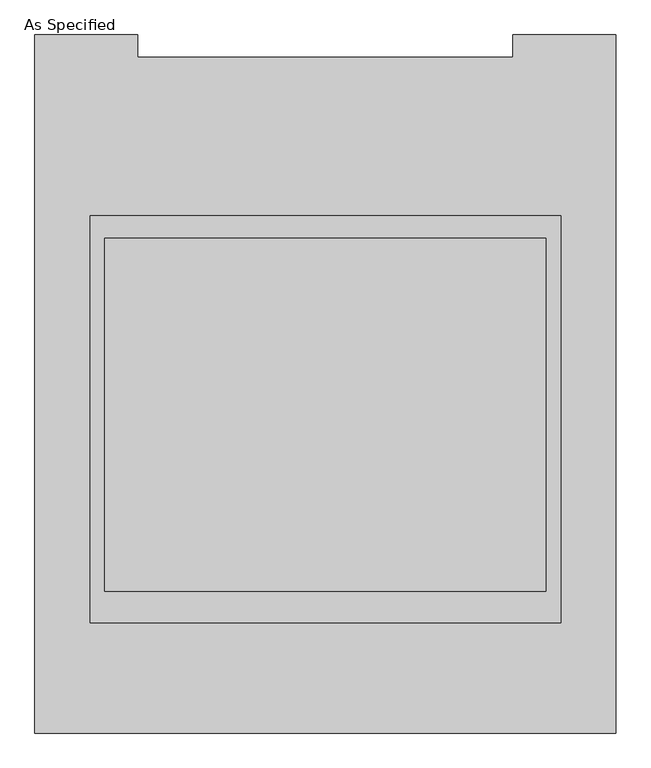
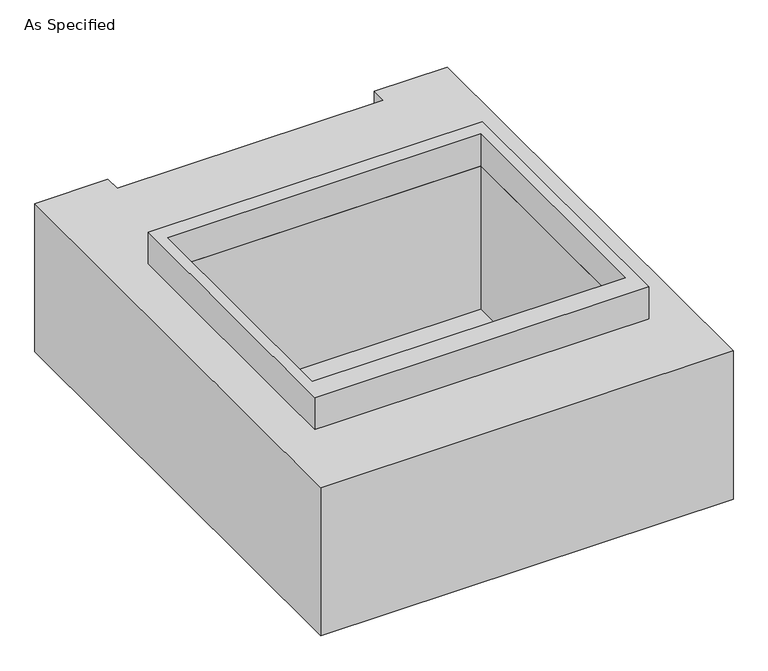
"""IFC4 building model written with IfcOpenShell, lengths in millimetres: proxy geometry, As Specified."""

from ifc_helpers import new_model, si_unit, frame, origin, place, context, project, spatial, polyline, outline, extrude, faceted_brep, source, transform, mapped, element, save


def as_specified_c5561af6(model_context):
    return source(origin(), model_context, "Body", "SolidModel", [
        faceted_brep([(-1003.3, 1242.774375, -25.4), (-1003.3, 1242.774375, -787.4), (-1003.3, -1166.415625, -787.4), (-1003.3, -1166.415625, -25.4), (-647.7, 1242.774375, -787.4), (-647.7, 1242.774375, -25.4), (-647.7, 1166.415625, -787.4), (-647.7, 1166.415625, -25.4), (647.7, 1166.415625, -787.4), (647.7, 1242.774375, -787.4), (1003.3, 1242.774375, -787.4), (1003.3, -1166.415625, -787.4), (1003.3, -1166.415625, -25.4), (1003.3, 1242.774375, -25.4), (647.7, 1242.774375, -25.4), (647.7, 1166.415625, -25.4), (762.0, 541.7740625, -25.4), (762.0, -677.4259375, -25.4), (-762.0, -677.4259375, -25.4), (-762.0, 541.7740625, -25.4), (762.0, 541.7740625, -762.0), (-762.0, 541.7740625, -762.0), (-762.0, -677.4259375, -762.0), (762.0, -677.4259375, -762.0)], [[[0, 1, 2, 3]], [[4, 1, 0, 5]], [[6, 4, 5, 7]], [[1, 4, 6, 8, 9, 10, 11, 2]], [[7, 5, 0, 3, 12, 13, 14, 15], [16, 17, 18, 19]], [[6, 7, 15, 8]], [[3, 2, 11, 12]], [[20, 21, 22, 23]], [[20, 23, 17, 16]], [[23, 22, 18, 17]], [[22, 21, 19, 18]], [[21, 20, 16, 19]], [[11, 10, 13, 12]], [[10, 9, 14, 13]], [[9, 8, 15, 14]]]),
        extrude(outline(polyline([(812.8, 617.934375), (812.8, -785.415625), (-812.8, -785.415625), (-812.8, 617.934375), (812.8, 617.934375)]), holes=[polyline([(-762.0, 541.7740625), (-762.0, -677.4259375), (762.0, -677.4259375), (762.0, 541.7740625), (-762.0, 541.7740625)])]), frame((0.0, 0.0, -762.0), z_axis=(0.0, 0.0, 1.0), x_axis=(1.0, 0.0, 0.0)), (0.0, 0.0, 1.0), 901.7),
    ])


if __name__ == "__main__":
    model = new_model("IFC4")
    model_context = context("Model", 3, world=origin())
    ifc_project = project(units=[si_unit("LENGTHUNIT", "METRE", prefix="MILLI")], contexts=[model_context])
    site = spatial("IfcSite", under=ifc_project)
    building = spatial("IfcBuilding", under=site)
    placement = place(None, origin())
    as_specified_shape = as_specified_c5561af6(model_context)
    element("IfcBuildingElementProxy", 1, Name="As Specified", ObjectType="As Specified", at=placement, inside=building, context=model_context, shape_type="MappedRepresentation", body=[
        mapped(as_specified_shape, transform((0.0, 0.0, 0.0), x_axis=(1.0, 0.0, 0.0), y_axis=(0.0, 1.0, 0.0), z_axis=(0.0, 0.0, 1.0))),
    ])
    save(model, "model.ifc")
